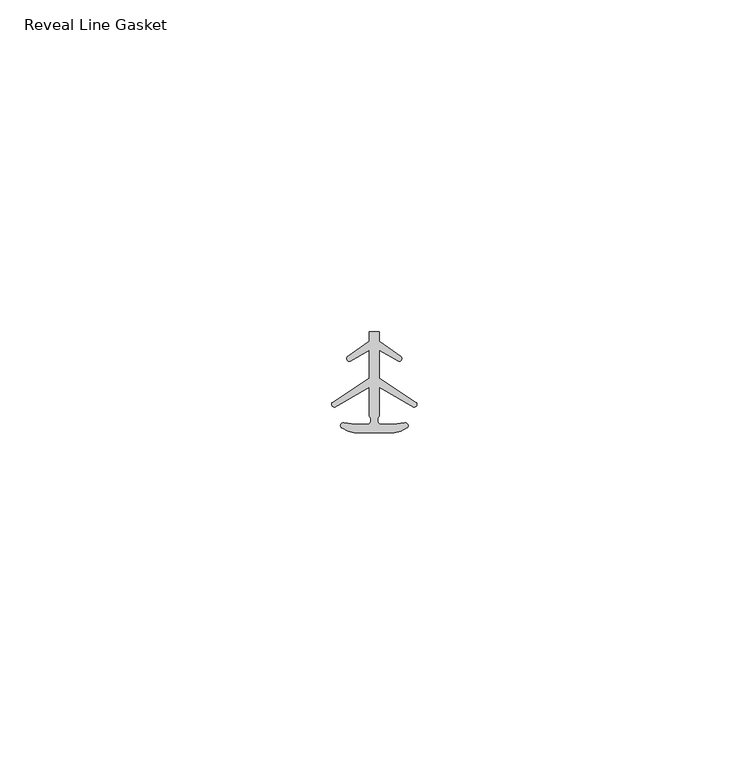
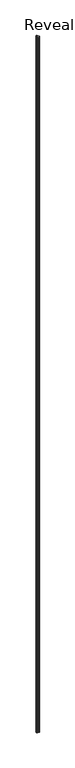
"""IFC4 building model written with IfcOpenShell, lengths in millimetres: proxy geometry, Reveal Line Gasket."""

from ifc_helpers import new_model, si_unit, point, frame, frame_2d, origin, place, context, project, spatial, polyline, circle_curve, trimmed, segment, composite_curve, outline, extrude, source, transform, mapped, element, save


def reveal_line_gasket_9cb4d504(model_context):
    return source(origin(), model_context, "Body", "SweptSolid", [
        extrude(outline(composite_curve([segment(polyline([(2.999107, -7.6326998), (-3.000893, -7.6326998), (-3.9563857, -7.4091917), (-4.8893614, -6.8813059)]), True, "CONTINUOUS"), segment(trimmed(circle_curve(frame_2d((-4.6873723, -6.5243141)), 0.4101739), [point((-4.8893614, -6.8813059))], [point((-4.5950277, -6.1246704))], False, "CARTESIAN"), True, "CONTINUOUS"), segment(polyline([(-4.5950277, -6.1246704), (-2.8988015, -6.3626997), (-0.8663457, -6.3626997)]), True, "CONTINUOUS"), segment(trimmed(circle_curve(frame_2d((-1.2828188, -5.6959605)), 0.786124), [point((-0.8663457, -6.3626997))], [point((-0.778768, -5.0926996))], True, "CARTESIAN"), True, "CONTINUOUS"), segment(polyline([(-0.778768, -5.0926996), (-0.778768, -0.7492996), (-5.9404224, -3.7293824)]), True, "CONTINUOUS"), segment(trimmed(circle_curve(frame_2d((-6.0058691, -3.3132479)), 0.4212495), [point((-5.9404224, -3.7293824))], [point((-6.3335288, -3.0485022))], False, "CARTESIAN"), True, "CONTINUOUS"), segment(polyline([(-6.3335288, -3.0485022), (-0.778768, 0.5742594), (-0.778768, 4.8262978), (-3.6544226, 3.1660374)]), True, "CONTINUOUS"), segment(trimmed(circle_curve(frame_2d((-3.7127785, 3.5978728)), 0.4357605), [point((-3.6544226, 3.1660374))], [point((-4.0575811, 3.864328))], False, "CARTESIAN"), True, "CONTINUOUS"), segment(polyline([(-4.0575811, 3.864328), (-0.778768, 6.1944059), (-0.778768, 7.6326998), (0.7769821, 7.6326998), (0.7769821, 6.1944059), (4.0557951, 3.864328)]), True, "CONTINUOUS"), segment(trimmed(circle_curve(frame_2d((3.7109925, 3.5978728)), 0.4357605), [point((4.0557951, 3.864328))], [point((3.6526367, 3.1660374))], False, "CARTESIAN"), True, "CONTINUOUS"), segment(polyline([(3.6526367, 3.1660374), (0.7769821, 4.8262978), (0.7769821, 0.5742594), (6.3317429, -3.0485022)]), True, "CONTINUOUS"), segment(trimmed(circle_curve(frame_2d((6.0040832, -3.3132479)), 0.4212495), [point((6.3317429, -3.0485022))], [point((5.9386365, -3.7293824))], False, "CARTESIAN"), True, "CONTINUOUS"), segment(polyline([(5.9386365, -3.7293824), (0.7769821, -0.7492996), (0.7769821, -5.0926996)]), True, "CONTINUOUS"), segment(trimmed(circle_curve(frame_2d((1.2810328, -5.6959605)), 0.786124), [point((0.7769821, -5.0926996))], [point((0.8645598, -6.3626997))], True, "CARTESIAN"), True, "CONTINUOUS"), segment(polyline([(0.8645598, -6.3626997), (2.8970156, -6.3626997), (4.5932418, -6.1246704)]), True, "CONTINUOUS"), segment(trimmed(circle_curve(frame_2d((4.6855864, -6.5243141)), 0.4101739), [point((4.5932418, -6.1246704))], [point((4.8875754, -6.8813059))], False, "CARTESIAN"), True, "CONTINUOUS"), segment(polyline([(4.8875754, -6.8813059), (3.9545998, -7.4091917), (2.999107, -7.6326998)]), True, "CONTINUOUS")], self_intersect=False)), frame((0.0, 0.0, 84.836), z_axis=(0.0, 0.0, 1.0), x_axis=(1.0, 0.0, 0.0)), (0.0, 0.0, 1.0), 2963.164),
    ])


if __name__ == "__main__":
    model = new_model("IFC4")
    model_context = context("Model", 3, world=origin())
    ifc_project = project(units=[si_unit("LENGTHUNIT", "METRE", prefix="MILLI")], contexts=[model_context])
    site = spatial("IfcSite", under=ifc_project)
    building = spatial("IfcBuilding", under=site)
    placement = place(None, origin())
    reveal_line_gasket_shape = reveal_line_gasket_9cb4d504(model_context)
    element("IfcBuildingElementProxy", 1, Name="Reveal Line Gasket", ObjectType="Reveal Line Gasket", at=placement, inside=building, context=model_context, shape_type="MappedRepresentation", body=[
        mapped(reveal_line_gasket_shape, transform((0.0, 0.0, 0.0), x_axis=(1.0, 0.0, 0.0), y_axis=(0.0, 1.0, 0.0), z_axis=(0.0, 0.0, 1.0))),
    ])
    save(model, "model.ifc")
